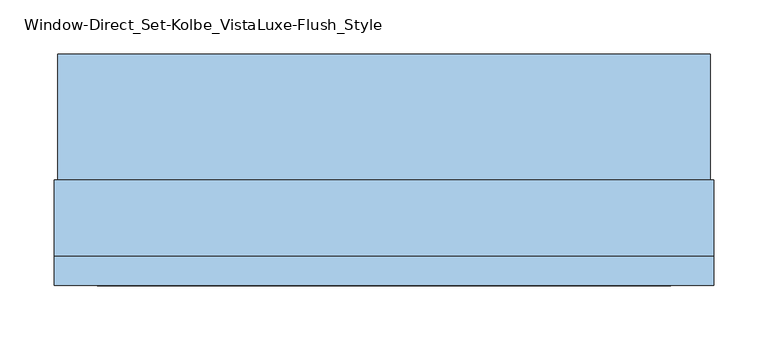
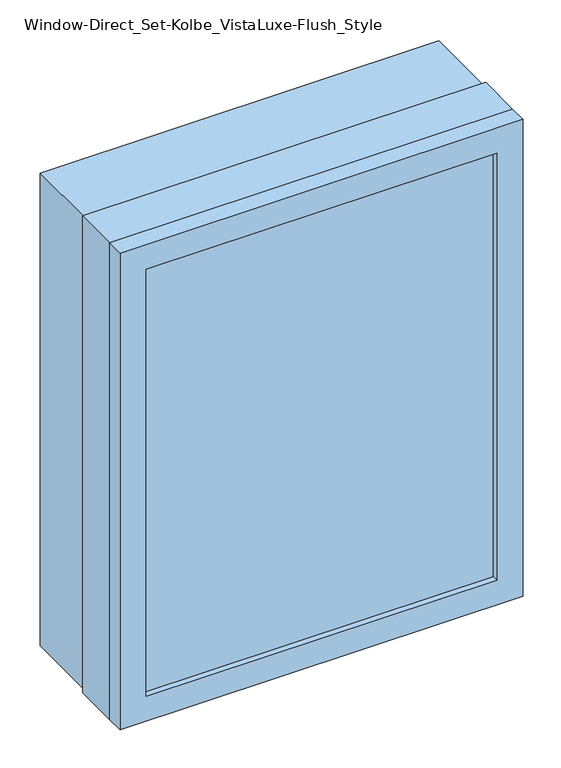
"""IFC4 building model written with IfcOpenShell, lengths in millimetres: window geometry, Window-Direct_Set-Kolbe_VistaLuxe-Flush_Style."""

from ifc_helpers import new_model, si_unit, frame, origin, place, context, project, spatial, polyline, outline, extrude, faceted_brep, source, transform, mapped, element, save


def window_direct_set_kolbe_vistaluxe_flush_style_5e522594(model_context):
    return source(origin(), model_context, "Body", "SolidModel", [
        extrude(outline(polyline([(1673.225, 295.4496242), (1673.225, -307.8003758), (917.575, -307.8003758), (917.575, 295.4496242), (1673.225, 295.4496242)]), holes=[polyline([(936.625, 276.3996242), (936.625, -288.7503758), (1654.175, -288.7503758), (1654.175, 276.3996242), (936.625, 276.3996242)])]), frame((0.0, -22.9997, 0.0), z_axis=(0.0, 1.0, 0.0), x_axis=(0.0, 0.0, 1.0)), (0.0, 0.0, 1.0), 116.6622),
        extrude(outline(polyline([(936.625, 276.3996242), (1654.175, 276.3996242), (1654.175, -288.7503758), (936.625, -288.7503758), (936.625, 276.3996242)]), holes=[polyline([(954.0875, -271.2878758), (1636.7125, -271.2878758), (1636.7125, 258.9371242), (954.0875, 258.9371242), (954.0875, -271.2878758)])]), frame((0.0, -89.63025, 0.0), z_axis=(0.0, 1.0, 0.0), x_axis=(0.0, 0.0, 1.0)), (0.0, 0.0, 1.0), 69.8246),
        faceted_brep([(298.6246242, -120.5865, 1676.4), (298.6246242, -93.6625, 1676.4), (-310.9753758, -93.6625, 1676.4), (-310.9753758, -120.5865, 1676.4), (258.9373659, -111.85525, 1636.7127418), (258.9373659, -120.5865, 1636.7127418), (-271.2881176, -120.5865, 1636.7127418), (-271.2881176, -111.85525, 1636.7127418), (276.3996242, -93.6625, 1654.175), (276.3996242, -111.85525, 1654.175), (-288.7503758, -111.85525, 1654.175), (-288.7503758, -93.6625, 1654.175), (-310.9753758, -93.6625, 914.4), (-310.9753758, -120.5865, 914.4), (-271.2881176, -120.5865, 954.0872582), (-271.2881176, -111.85525, 954.0872582), (-288.7503758, -111.85525, 936.625), (-288.7503758, -93.6625, 936.625), (298.6246242, -93.6625, 914.4), (298.6246242, -120.5865, 914.4), (258.9373659, -120.5865, 954.0872582), (258.9373659, -111.85525, 954.0872582), (276.3996242, -111.85525, 936.625), (276.3996242, -93.6625, 936.625)], [[[0, 1, 2, 3]], [[4, 5, 6, 7]], [[8, 9, 10, 11]], [[3, 2, 12, 13]], [[7, 6, 14, 15]], [[11, 10, 16, 17]], [[13, 12, 18, 19]], [[15, 14, 20, 21]], [[17, 16, 22, 23]], [[19, 18, 1, 0]], [[3, 13, 19, 0], [5, 20, 14, 6]], [[21, 20, 5, 4]], [[9, 22, 16, 10], [7, 15, 21, 4]], [[23, 22, 9, 8]], [[1, 18, 12, 2], [11, 17, 23, 8]]]),
        extrude(outline(polyline([(914.4, 298.6246242), (1676.4, 298.6246242), (1676.4, -310.9753758), (914.4, -310.9753758), (914.4, 298.6246242)]), holes=[polyline([(936.625, -288.7503758), (1654.175, -288.7503758), (1654.175, 276.3996242), (936.625, 276.3996242), (936.625, -288.7503758)])]), frame((0.0, -93.6625, 0.0), z_axis=(0.0, 1.0, 0.0), x_axis=(0.0, 0.0, 1.0)), (0.0, 0.0, 1.0), 70.6628),
        extrude(outline(polyline([(274.0183742, -92.80525), (-286.3691258, -92.80525), (-286.3691258, -89.63025), (274.0183742, -89.63025), (274.0183742, -92.80525)])), frame((0.0, 0.0, 946.15), z_axis=(0.0, 0.0, 1.0), x_axis=(1.0, 0.0, 0.0)), (0.0, 0.0, 1.0), 698.5),
        extrude(outline(polyline([(274.0183742, -108.68025), (274.0183742, -111.85525), (-286.3691258, -111.85525), (-286.3691258, -108.68025), (274.0183742, -108.68025)])), frame((0.0, 0.0, 946.15), z_axis=(0.0, 0.0, 1.0), x_axis=(1.0, 0.0, 0.0)), (0.0, 0.0, 1.0), 698.5),
    ])


if __name__ == "__main__":
    model = new_model("IFC4")
    model_context = context("Model", 3, world=origin())
    ifc_project = project(units=[si_unit("LENGTHUNIT", "METRE", prefix="MILLI")], contexts=[model_context])
    site = spatial("IfcSite", under=ifc_project)
    building = spatial("IfcBuilding", under=site)
    placement = place(None, origin())
    window_direct_set_kolbe_vistaluxe_flush_style_shape = window_direct_set_kolbe_vistaluxe_flush_style_5e522594(model_context)
    element("IfcWindow", 1, ObjectType="Window-Direct_Set-Kolbe_VistaLuxe-Flush_Style", at=placement, inside=building, context=model_context, shape_type="MappedRepresentation", body=[
        mapped(window_direct_set_kolbe_vistaluxe_flush_style_shape, transform((0.0, 0.0, 0.0), x_axis=(1.0, 0.0, 0.0), y_axis=(0.0, 1.0, 0.0), z_axis=(0.0, 0.0, 1.0))),
    ])
    save(model, "model.ifc")
